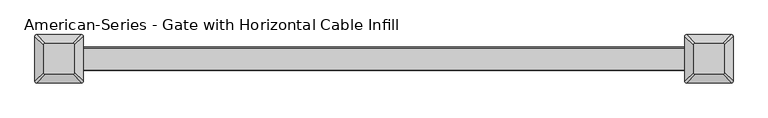
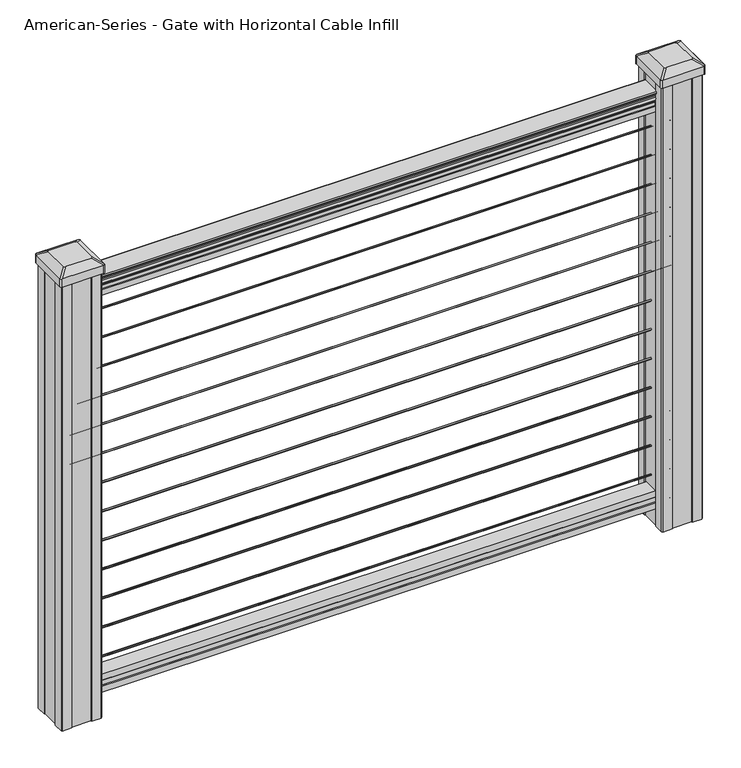
"""IFC4 building model written with IfcOpenShell, lengths in millimetres: proxy geometry, American-Series - Gate with Horizontal Cable Infill."""

import ifcopenshell
import ifcopenshell.guid

model = None  # the IFC model being written
_history = None  # IfcOwnerHistory: only IFC2X3 demands one
_inside = {}  # id of a spatial element -> (the spatial element, [elements in it])
_under = {}  # id of a project, library or spatial element -> (it, [spatial elements below it])
_declared = {}  # id of a project -> (the project, [libraries it declares])
_typed = {}  # id of a type object -> (the type object, [elements of that type])
_made_of = {}  # id of a material, layer set ... -> (it, [elements and type objects made of it])


def new_model(schema):
    """Start an empty IFC model of exactly this schema.

    Asked for "IFC4X3", IfcOpenShell would pick the latest addendum, in which some entities
    have other attributes; the version numbers below select the first issue.
    IFC2X3 requires an IfcOwnerHistory on every rooted entity: one is made here for all.
    """
    global model, _history
    if schema == "IFC4X3":
        model = ifcopenshell.file(schema_version=(4, 3, 0, 0))
    else:
        model = ifcopenshell.file(schema=schema)
    _inside.clear()
    _under.clear()
    _declared.clear()
    _typed.clear()
    _made_of.clear()
    _history = None
    if model.schema == "IFC2X3":
        org = make("IfcOrganization", Name="unknown")
        user = make(
            "IfcPersonAndOrganization",
            ThePerson=make("IfcPerson", FamilyName="unknown"),
            TheOrganization=org,
        )
        app = make(
            "IfcApplication",
            ApplicationDeveloper=org,
            Version="unknown",
            ApplicationFullName="unknown",
            ApplicationIdentifier="unknown",
        )
        _history = make(
            "IfcOwnerHistory",
            OwningUser=user,
            OwningApplication=app,
            ChangeAction="ADDED",
            CreationDate=0,
        )
    return model


def make(cls, **values):
    """One entity of the class cls with the attributes given. An attribute that is None is left unset."""
    return model.create_entity(
        cls, **{name: value for name, value in values.items() if value is not None}
    )


def rooted(cls, **values):
    """An entity with a GlobalId (a new one), such as an element, a storey or a relation."""
    return make(cls, GlobalId=ifcopenshell.guid.new(), OwnerHistory=_history, **values)


def si_unit(unit_type, name, prefix=None):
    """IfcSIUnit, for example si_unit("LENGTHUNIT", "METRE", prefix="MILLI")."""
    return make("IfcSIUnit", UnitType=unit_type, Prefix=prefix, Name=name)


def assignment(units):
    """IfcUnitAssignment: the units of a project."""
    return None if units is None else make("IfcUnitAssignment", Units=units)


def point(xyz):
    """IfcCartesianPoint."""
    return None if xyz is None else make("IfcCartesianPoint", Coordinates=xyz)


def direction(xyz):
    """IfcDirection."""
    return None if xyz is None else make("IfcDirection", DirectionRatios=xyz)


def frame(location, z_axis=None, x_axis=None):
    """IfcAxis2Placement3D, a coordinate frame: its origin and axes. An axis left out is left unset."""
    return make(
        "IfcAxis2Placement3D",
        Location=point(location),
        Axis=direction(z_axis),
        RefDirection=direction(x_axis),
    )


def frame_2d(location, x_axis=None):
    """IfcAxis2Placement2D, a coordinate frame in the plane: its origin and x axis."""
    return make(
        "IfcAxis2Placement2D", Location=point(location), RefDirection=direction(x_axis)
    )


def origin():
    """The frame at (0, 0, 0) with its axes left unset."""
    return frame((0.0, 0.0, 0.0))


def place(relative_to, where):
    """IfcLocalPlacement: puts the frame where relative to a parent placement (None: the world)."""
    return make(
        "IfcLocalPlacement", PlacementRelTo=relative_to, RelativePlacement=where
    )


def context(
    kind, dimensions, precision=None, world=None, true_north=None, identifier=None
):
    """IfcGeometricRepresentationContext, for example the 3D "Model" context."""
    return make(
        "IfcGeometricRepresentationContext",
        ContextIdentifier=identifier,
        ContextType=kind,
        CoordinateSpaceDimension=dimensions,
        Precision=precision,
        WorldCoordinateSystem=world,
        TrueNorth=true_north,
    )


def project(units=None, contexts=None):
    """IfcProject with its units and contexts."""
    return rooted(
        "IfcProject",
        Name="project",
        RepresentationContexts=contexts,
        UnitsInContext=assignment(units),
    )


def spatial(cls, under=None, at=None, **own):
    """A site, building, storey or space (cls), placed at a placement, below another one or the project."""
    s = rooted(cls, ObjectPlacement=at, **own)
    if under is not None:
        _under.setdefault(under.id(), (under, []))[1].append(s)
    return s


def polyline(points):
    """IfcPolyline through the points."""
    return make("IfcPolyline", Points=[point(p) for p in points])


def circle_curve(where, radius):
    """IfcCircle in the frame where."""
    return make("IfcCircle", Position=where, Radius=radius)


def trimmed(basis, trim1, trim2, sense, master):
    """IfcTrimmedCurve: the piece of a basis curve between two trims."""
    return make(
        "IfcTrimmedCurve",
        BasisCurve=basis,
        Trim1=trim1,
        Trim2=trim2,
        SenseAgreement=sense,
        MasterRepresentation=master,
    )


def segment(curve, same_sense, transition):
    """IfcCompositeCurveSegment."""
    return make(
        "IfcCompositeCurveSegment",
        Transition=transition,
        SameSense=same_sense,
        ParentCurve=curve,
    )


def composite_curve(segments, self_intersect=None):
    """IfcCompositeCurve: segments joined end to end."""
    return make("IfcCompositeCurve", Segments=segments, SelfIntersect=self_intersect)


def outline(outer, holes=None, kind="AREA"):
    """IfcArbitraryClosedProfileDef: a profile drawn as a closed curve; with holes, ...WithVoids."""
    if holes is None:
        return make("IfcArbitraryClosedProfileDef", ProfileType=kind, OuterCurve=outer)
    return make(
        "IfcArbitraryProfileDefWithVoids",
        ProfileType=kind,
        OuterCurve=outer,
        InnerCurves=holes,
    )


def extrude(swept, where, along, depth):
    """IfcExtrudedAreaSolid: the profile swept, set in the frame where, extruded along a direction by depth."""
    return make(
        "IfcExtrudedAreaSolid",
        SweptArea=swept,
        Position=where,
        ExtrudedDirection=direction(along),
        Depth=depth,
    )


def shape(context_of_items, identifier, shape_type, items):
    """IfcShapeRepresentation: the items that make up one representation, for example the "Body"."""
    return make(
        "IfcShapeRepresentation",
        ContextOfItems=context_of_items,
        RepresentationIdentifier=identifier,
        RepresentationType=shape_type,
        Items=items,
    )


def source(mapping_origin, context_of_items, identifier, shape_type, items):
    """IfcRepresentationMap: a shape defined once, which mapped items show again and again."""
    return make(
        "IfcRepresentationMap",
        MappingOrigin=mapping_origin,
        MappedRepresentation=shape(context_of_items, identifier, shape_type, items),
    )


def transform(
    local_origin,
    x_axis=None,
    y_axis=None,
    z_axis=None,
    scale=None,
    scale2=None,
    scale3=None,
    uniform=True,
):
    """IfcCartesianTransformationOperator3D, or its non-uniform kind. x_axis, y_axis, z_axis: its Axis1, 2, 3."""
    if uniform:
        return make(
            "IfcCartesianTransformationOperator3D",
            Axis1=direction(x_axis),
            Axis2=direction(y_axis),
            LocalOrigin=point(local_origin),
            Scale=scale,
            Axis3=direction(z_axis),
        )
    return make(
        "IfcCartesianTransformationOperator3DnonUniform",
        Axis1=direction(x_axis),
        Axis2=direction(y_axis),
        LocalOrigin=point(local_origin),
        Scale=scale,
        Axis3=direction(z_axis),
        Scale2=scale2,
        Scale3=scale3,
    )


def mapped(mapping_source, mapping_target):
    """IfcMappedItem: shows the shape of a source again, moved by a transform."""
    return make(
        "IfcMappedItem", MappingSource=mapping_source, MappingTarget=mapping_target
    )


def made_of(thing, what):
    """Note that an element or type object is made of a material, layer set ...; save() writes the relation."""
    if what is not None:
        _made_of.setdefault(what.id(), (what, []))[1].append(thing)
    return thing


def element(
    cls,
    number,
    at=None,
    inside=None,
    cuts=None,
    type_object=None,
    material=None,
    context=None,
    identifier="Body",
    shape_type=None,
    held_by="IfcProductDefinitionShape",
    body=None,
    shapes=None,
    **own,
):
    """One element of the class cls, such as IfcWall. Its Tag is "e" and its number.

    at: its placement. inside: the storey or other place that contains it. cuts: it is an
    opening in that element (IfcRelVoidsElement). A single representation is given by context,
    identifier, shape_type and body (its items); several are given by shapes. held_by: the class
    of the entity that holds the representations. save() writes the other relations.
    """
    e = rooted(cls, Tag="e%d" % number, ObjectPlacement=at, **own)
    if body is not None:
        shapes = [shape(context, identifier, shape_type, body)]
    if shapes is not None:
        e.Representation = make(held_by, Representations=shapes)
    if inside is not None:
        _inside.setdefault(inside.id(), (inside, []))[1].append(e)
    if cuts is not None:
        rooted(
            "IfcRelVoidsElement", RelatingBuildingElement=cuts, RelatedOpeningElement=e
        )
    if type_object is not None:
        _typed.setdefault(type_object.id(), (type_object, []))[1].append(e)
    return made_of(e, material)


def aggregate(whole, parts):
    """IfcRelAggregates: a whole, such as a stair, and the parts it consists of."""
    return rooted("IfcRelAggregates", RelatingObject=whole, RelatedObjects=parts)


def save(model, path):
    """Write the relations noted so far, then the file.

    IfcRelAggregates (storeys below a building ...), IfcRelContainedInSpatialStructure (elements
    in a storey), IfcRelDefinesByType, IfcRelAssociatesMaterial and IfcRelDeclares: one each for
    every whole, place, type object, material and project.
    """
    for whole, parts in _under.values():
        aggregate(whole, parts)
    for where, things in _inside.values():
        rooted(
            "IfcRelContainedInSpatialStructure",
            RelatedElements=things,
            RelatingStructure=where,
        )
    for kind, things in _typed.values():
        rooted("IfcRelDefinesByType", RelatedObjects=things, RelatingType=kind)
    for what, things in _made_of.values():
        rooted("IfcRelAssociatesMaterial", RelatedObjects=things, RelatingMaterial=what)
    for by, libraries in _declared.values():
        rooted("IfcRelDeclares", RelatingContext=by, RelatedDefinitions=libraries)
    model.write(path)


def plane_surface(at):
    """IfcPlane: the flat surface through the origin of the frame at, square to its z axis."""
    return make("IfcPlane", Position=at)


def extruded_surface(curve, direction_of_extrusion, depth):
    """IfcSurfaceOfLinearExtrusion: the curve pushed along a direction by depth."""
    return make(
        "IfcSurfaceOfLinearExtrusion",
        SweptCurve=make("IfcArbitraryOpenProfileDef", ProfileType="CURVE", Curve=curve),
        ExtrudedDirection=direction(direction_of_extrusion),
        Depth=depth,
    )


def advanced_brep(points, edges, surfaces, faces):
    """IfcAdvancedBrep: a solid bounded by faces that lie on surfaces and meet in shared edges.

    An edge is (start, end): straight between two places in points (the first is 0);
    or (start, end, curve); or (start, end, curve, False) where it runs against its curve.
    A face is (place in surfaces, loops), or (place, loops, False) where it looks against
    its surface's normal. A loop lists edges by number (the first is 1), with a minus sign
    where the edge is run from its end to its start. The first loop is the outer one.
    """
    corners = [point(p) for p in points]
    vertices = [make("IfcVertexPoint", VertexGeometry=c) for c in corners]
    made = []
    for start, end, *more in edges:
        made.append(
            make(
                "IfcEdgeCurve",
                EdgeStart=vertices[start],
                EdgeEnd=vertices[end],
                EdgeGeometry=more[0] if more else make("IfcPolyline", Points=[corners[start], corners[end]]),
                SameSense=more[1] if len(more) > 1 else True,
            )
        )
    hull = []
    for where, loops, *sense in faces:
        bounds = []
        for j, loop in enumerate(loops):
            ring = [make("IfcOrientedEdge", EdgeElement=made[abs(k) - 1], Orientation=k > 0) for k in loop]
            bounds.append(
                make(
                    "IfcFaceOuterBound" if j == 0 else "IfcFaceBound",
                    Bound=make("IfcEdgeLoop", EdgeList=ring),
                    Orientation=True,
                )
            )
        hull.append(make("IfcAdvancedFace", Bounds=bounds, FaceSurface=surfaces[where], SameSense=sense[0] if sense else True))
    return make("IfcAdvancedBrep", Outer=make("IfcClosedShell", CfsFaces=hull))


def american_series_gate_with_horizontal_cable_infill_cfd53bdf(model_context):
    return source(origin(), model_context, "Body", "SolidModel", [
        extrude(outline(composite_curve([segment(trimmed(circle_curve(frame_2d((0.0, 812.4336538)), 1.5875), [point((1.5875, 812.4336538))], [point((0.0, 810.8461538))], False, "CARTESIAN"), True, "CONTINUOUS"), segment(trimmed(circle_curve(frame_2d((0.0, 812.4336538)), 1.5875), [point((0.0, 810.8461538))], [point((-1.5875, 812.4336538))], False, "CARTESIAN"), True, "CONTINUOUS"), segment(trimmed(circle_curve(frame_2d((0.0, 812.4336538)), 1.5875), [point((-1.5875, 812.4336538))], [point((0.0, 814.0211538))], False, "CARTESIAN"), True, "CONTINUOUS"), segment(trimmed(circle_curve(frame_2d((0.0, 812.4336538)), 1.5875), [point((0.0, 814.0211538))], [point((1.5875, 812.4336538))], False, "CARTESIAN"), True, "CONTINUOUS")], self_intersect=False)), frame((-609.6, 0.0, 0.0), z_axis=(1.0, 0.0, 0.0), x_axis=(0.0, 1.0, 0.0)), (0.0, 0.0, 1.0), 1219.2),
        extrude(outline(composite_curve([segment(trimmed(circle_curve(frame_2d((0.0, 750.1548077)), 1.5875), [point((1.5875, 750.1548077))], [point((0.0, 748.5673077))], False, "CARTESIAN"), True, "CONTINUOUS"), segment(trimmed(circle_curve(frame_2d((0.0, 750.1548077)), 1.5875), [point((0.0, 748.5673077))], [point((-1.5875, 750.1548077))], False, "CARTESIAN"), True, "CONTINUOUS"), segment(trimmed(circle_curve(frame_2d((0.0, 750.1548077)), 1.5875), [point((-1.5875, 750.1548077))], [point((0.0, 751.7423077))], False, "CARTESIAN"), True, "CONTINUOUS"), segment(trimmed(circle_curve(frame_2d((0.0, 750.1548077)), 1.5875), [point((0.0, 751.7423077))], [point((1.5875, 750.1548077))], False, "CARTESIAN"), True, "CONTINUOUS")], self_intersect=False)), frame((-609.6, 0.0, 0.0), z_axis=(1.0, 0.0, 0.0), x_axis=(0.0, 1.0, 0.0)), (0.0, 0.0, 1.0), 1219.2),
        extrude(outline(composite_curve([segment(trimmed(circle_curve(frame_2d((0.0, 687.8759615)), 1.5875), [point((1.5875, 687.8759615))], [point((0.0, 686.2884615))], False, "CARTESIAN"), True, "CONTINUOUS"), segment(trimmed(circle_curve(frame_2d((0.0, 687.8759615)), 1.5875), [point((0.0, 686.2884615))], [point((-1.5875, 687.8759615))], False, "CARTESIAN"), True, "CONTINUOUS"), segment(trimmed(circle_curve(frame_2d((0.0, 687.8759615)), 1.5875), [point((-1.5875, 687.8759615))], [point((0.0, 689.4634615))], False, "CARTESIAN"), True, "CONTINUOUS"), segment(trimmed(circle_curve(frame_2d((0.0, 687.8759615)), 1.5875), [point((0.0, 689.4634615))], [point((1.5875, 687.8759615))], False, "CARTESIAN"), True, "CONTINUOUS")], self_intersect=False)), frame((-609.6, 0.0, 0.0), z_axis=(1.0, 0.0, 0.0), x_axis=(0.0, 1.0, 0.0)), (0.0, 0.0, 1.0), 1219.2),
        extrude(outline(composite_curve([segment(trimmed(circle_curve(frame_2d((0.0, 625.5971154)), 1.5875), [point((1.5875, 625.5971154))], [point((0.0, 624.0096154))], False, "CARTESIAN"), True, "CONTINUOUS"), segment(trimmed(circle_curve(frame_2d((0.0, 625.5971154)), 1.5875), [point((0.0, 624.0096154))], [point((-1.5875, 625.5971154))], False, "CARTESIAN"), True, "CONTINUOUS"), segment(trimmed(circle_curve(frame_2d((0.0, 625.5971154)), 1.5875), [point((-1.5875, 625.5971154))], [point((0.0, 627.1846154))], False, "CARTESIAN"), True, "CONTINUOUS"), segment(trimmed(circle_curve(frame_2d((0.0, 625.5971154)), 1.5875), [point((0.0, 627.1846154))], [point((1.5875, 625.5971154))], False, "CARTESIAN"), True, "CONTINUOUS")], self_intersect=False)), frame((-609.6, 0.0, 0.0), z_axis=(1.0, 0.0, 0.0), x_axis=(0.0, 1.0, 0.0)), (0.0, 0.0, 1.0), 1219.2),
        extrude(outline(polyline([(-15.9124869, 76.0541976), (-14.8964869, 77.3546183), (-14.8964869, 87.7141717), (-15.9124869, 89.0624492), (-15.9124869, 101.5958781), (15.8375131, 101.5958781), (15.8375131, 89.0458024), (14.8215131, 87.6975248), (14.8215131, 77.3858283), (15.8375131, 76.0375508), (15.8375131, 63.5), (-15.9124869, 63.5), (-15.9124869, 76.0541976)])), frame((-609.6, 0.0, 0.0), z_axis=(1.0, 0.0, 0.0), x_axis=(0.0, 1.0, 0.0)), (0.0, 0.0, 1.0), 1219.2),
        extrude(outline(composite_curve([segment(trimmed(circle_curve(frame_2d((0.0, 563.3182692)), 1.5875), [point((1.5875, 563.3182692))], [point((0.0, 561.7307692))], False, "CARTESIAN"), True, "CONTINUOUS"), segment(trimmed(circle_curve(frame_2d((0.0, 563.3182692)), 1.5875), [point((0.0, 561.7307692))], [point((-1.5875, 563.3182692))], False, "CARTESIAN"), True, "CONTINUOUS"), segment(trimmed(circle_curve(frame_2d((0.0, 563.3182692)), 1.5875), [point((-1.5875, 563.3182692))], [point((0.0, 564.9057692))], False, "CARTESIAN"), True, "CONTINUOUS"), segment(trimmed(circle_curve(frame_2d((0.0, 563.3182692)), 1.5875), [point((0.0, 564.9057692))], [point((1.5875, 563.3182692))], False, "CARTESIAN"), True, "CONTINUOUS")], self_intersect=False)), frame((-609.6, 0.0, 0.0), z_axis=(1.0, 0.0, 0.0), x_axis=(0.0, 1.0, 0.0)), (0.0, 0.0, 1.0), 1219.2),
        extrude(outline(composite_curve([segment(trimmed(circle_curve(frame_2d((0.0, 501.0394231)), 1.5875), [point((1.5875, 501.0394231))], [point((0.0, 499.4519231))], False, "CARTESIAN"), True, "CONTINUOUS"), segment(trimmed(circle_curve(frame_2d((0.0, 501.0394231)), 1.5875), [point((0.0, 499.4519231))], [point((-1.5875, 501.0394231))], False, "CARTESIAN"), True, "CONTINUOUS"), segment(trimmed(circle_curve(frame_2d((0.0, 501.0394231)), 1.5875), [point((-1.5875, 501.0394231))], [point((0.0, 502.6269231))], False, "CARTESIAN"), True, "CONTINUOUS"), segment(trimmed(circle_curve(frame_2d((0.0, 501.0394231)), 1.5875), [point((0.0, 502.6269231))], [point((1.5875, 501.0394231))], False, "CARTESIAN"), True, "CONTINUOUS")], self_intersect=False)), frame((-609.6, 0.0, 0.0), z_axis=(1.0, 0.0, 0.0), x_axis=(0.0, 1.0, 0.0)), (0.0, 0.0, 1.0), 1219.2),
        extrude(outline(composite_curve([segment(trimmed(circle_curve(frame_2d((0.0, 438.7605769)), 1.5875), [point((1.5875, 438.7605769))], [point((0.0, 437.1730769))], False, "CARTESIAN"), True, "CONTINUOUS"), segment(trimmed(circle_curve(frame_2d((0.0, 438.7605769)), 1.5875), [point((0.0, 437.1730769))], [point((-1.5875, 438.7605769))], False, "CARTESIAN"), True, "CONTINUOUS"), segment(trimmed(circle_curve(frame_2d((0.0, 438.7605769)), 1.5875), [point((-1.5875, 438.7605769))], [point((0.0, 440.3480769))], False, "CARTESIAN"), True, "CONTINUOUS"), segment(trimmed(circle_curve(frame_2d((0.0, 438.7605769)), 1.5875), [point((0.0, 440.3480769))], [point((1.5875, 438.7605769))], False, "CARTESIAN"), True, "CONTINUOUS")], self_intersect=False)), frame((-609.6, 0.0, 0.0), z_axis=(1.0, 0.0, 0.0), x_axis=(0.0, 1.0, 0.0)), (0.0, 0.0, 1.0), 1219.2),
        extrude(outline(composite_curve([segment(trimmed(circle_curve(frame_2d((0.0, 376.4817308)), 1.5875), [point((1.5875, 376.4817308))], [point((0.0, 374.8942308))], False, "CARTESIAN"), True, "CONTINUOUS"), segment(trimmed(circle_curve(frame_2d((0.0, 376.4817308)), 1.5875), [point((0.0, 374.8942308))], [point((-1.5875, 376.4817308))], False, "CARTESIAN"), True, "CONTINUOUS"), segment(trimmed(circle_curve(frame_2d((0.0, 376.4817308)), 1.5875), [point((-1.5875, 376.4817308))], [point((0.0, 378.0692308))], False, "CARTESIAN"), True, "CONTINUOUS"), segment(trimmed(circle_curve(frame_2d((0.0, 376.4817308)), 1.5875), [point((0.0, 378.0692308))], [point((1.5875, 376.4817308))], False, "CARTESIAN"), True, "CONTINUOUS")], self_intersect=False)), frame((-609.6, 0.0, 0.0), z_axis=(1.0, 0.0, 0.0), x_axis=(0.0, 1.0, 0.0)), (0.0, 0.0, 1.0), 1219.2),
        extrude(outline(composite_curve([segment(trimmed(circle_curve(frame_2d((0.0, 314.2028846)), 1.5875), [point((1.5875, 314.2028846))], [point((0.0, 312.6153846))], False, "CARTESIAN"), True, "CONTINUOUS"), segment(trimmed(circle_curve(frame_2d((0.0, 314.2028846)), 1.5875), [point((0.0, 312.6153846))], [point((-1.5875, 314.2028846))], False, "CARTESIAN"), True, "CONTINUOUS"), segment(trimmed(circle_curve(frame_2d((0.0, 314.2028846)), 1.5875), [point((-1.5875, 314.2028846))], [point((0.0, 315.7903846))], False, "CARTESIAN"), True, "CONTINUOUS"), segment(trimmed(circle_curve(frame_2d((0.0, 314.2028846)), 1.5875), [point((0.0, 315.7903846))], [point((1.5875, 314.2028846))], False, "CARTESIAN"), True, "CONTINUOUS")], self_intersect=False)), frame((-609.6, 0.0, 0.0), z_axis=(1.0, 0.0, 0.0), x_axis=(0.0, 1.0, 0.0)), (0.0, 0.0, 1.0), 1219.2),
        extrude(outline(composite_curve([segment(trimmed(circle_curve(frame_2d((0.0, 251.9240385)), 1.5875), [point((1.5875, 251.9240385))], [point((0.0, 250.3365385))], False, "CARTESIAN"), True, "CONTINUOUS"), segment(trimmed(circle_curve(frame_2d((0.0, 251.9240385)), 1.5875), [point((0.0, 250.3365385))], [point((-1.5875, 251.9240385))], False, "CARTESIAN"), True, "CONTINUOUS"), segment(trimmed(circle_curve(frame_2d((0.0, 251.9240385)), 1.5875), [point((-1.5875, 251.9240385))], [point((0.0, 253.5115385))], False, "CARTESIAN"), True, "CONTINUOUS"), segment(trimmed(circle_curve(frame_2d((0.0, 251.9240385)), 1.5875), [point((0.0, 253.5115385))], [point((1.5875, 251.9240385))], False, "CARTESIAN"), True, "CONTINUOUS")], self_intersect=False)), frame((-609.6, 0.0, 0.0), z_axis=(1.0, 0.0, 0.0), x_axis=(0.0, 1.0, 0.0)), (0.0, 0.0, 1.0), 1219.2),
        extrude(outline(composite_curve([segment(trimmed(circle_curve(frame_2d((0.0, 189.6451923)), 1.5875), [point((1.5875, 189.6451923))], [point((0.0, 188.0576923))], False, "CARTESIAN"), True, "CONTINUOUS"), segment(trimmed(circle_curve(frame_2d((0.0, 189.6451923)), 1.5875), [point((0.0, 188.0576923))], [point((-1.5875, 189.6451923))], False, "CARTESIAN"), True, "CONTINUOUS"), segment(trimmed(circle_curve(frame_2d((0.0, 189.6451923)), 1.5875), [point((-1.5875, 189.6451923))], [point((0.0, 191.2326923))], False, "CARTESIAN"), True, "CONTINUOUS"), segment(trimmed(circle_curve(frame_2d((0.0, 189.6451923)), 1.5875), [point((0.0, 191.2326923))], [point((1.5875, 189.6451923))], False, "CARTESIAN"), True, "CONTINUOUS")], self_intersect=False)), frame((-609.6, 0.0, 0.0), z_axis=(1.0, 0.0, 0.0), x_axis=(0.0, 1.0, 0.0)), (0.0, 0.0, 1.0), 1219.2),
        extrude(outline(composite_curve([segment(trimmed(circle_curve(frame_2d((0.0, 127.3663462)), 1.5875), [point((1.5875, 127.3663462))], [point((0.0, 125.7788462))], False, "CARTESIAN"), True, "CONTINUOUS"), segment(trimmed(circle_curve(frame_2d((0.0, 127.3663462)), 1.5875), [point((0.0, 125.7788462))], [point((-1.5875, 127.3663462))], False, "CARTESIAN"), True, "CONTINUOUS"), segment(trimmed(circle_curve(frame_2d((0.0, 127.3663462)), 1.5875), [point((-1.5875, 127.3663462))], [point((0.0, 128.9538462))], False, "CARTESIAN"), True, "CONTINUOUS"), segment(trimmed(circle_curve(frame_2d((0.0, 127.3663462)), 1.5875), [point((0.0, 128.9538462))], [point((1.5875, 127.3663462))], False, "CARTESIAN"), True, "CONTINUOUS")], self_intersect=False)), frame((-609.6, 0.0, 0.0), z_axis=(1.0, 0.0, 0.0), x_axis=(0.0, 1.0, 0.0)), (0.0, 0.0, 1.0), 1219.2),
        extrude(outline(composite_curve([segment(trimmed(circle_curve(frame_2d((0.0, 874.7125)), 1.5875), [point((1.5875, 874.7125))], [point((0.0, 873.125))], False, "CARTESIAN"), True, "CONTINUOUS"), segment(trimmed(circle_curve(frame_2d((0.0, 874.7125)), 1.5875), [point((0.0, 873.125))], [point((-1.5875, 874.7125))], False, "CARTESIAN"), True, "CONTINUOUS"), segment(trimmed(circle_curve(frame_2d((0.0, 874.7125)), 1.5875), [point((-1.5875, 874.7125))], [point((0.0, 876.3))], False, "CARTESIAN"), True, "CONTINUOUS"), segment(trimmed(circle_curve(frame_2d((0.0, 874.7125)), 1.5875), [point((0.0, 876.3))], [point((1.5875, 874.7125))], False, "CARTESIAN"), True, "CONTINUOUS")], self_intersect=False)), frame((-609.6, 0.0, 0.0), z_axis=(1.0, 0.0, 0.0), x_axis=(0.0, 1.0, 0.0)), (0.0, 0.0, 1.0), 1219.2),
        extrude(outline(composite_curve([segment(trimmed(circle_curve(frame_2d((0.0, 65.0875)), 1.5875), [point((1.5875, 65.0875))], [point((0.0, 63.5))], False, "CARTESIAN"), True, "CONTINUOUS"), segment(trimmed(circle_curve(frame_2d((0.0, 65.0875)), 1.5875), [point((0.0, 63.5))], [point((-1.5875, 65.0875))], False, "CARTESIAN"), True, "CONTINUOUS"), segment(trimmed(circle_curve(frame_2d((0.0, 65.0875)), 1.5875), [point((-1.5875, 65.0875))], [point((0.0, 66.675))], False, "CARTESIAN"), True, "CONTINUOUS"), segment(trimmed(circle_curve(frame_2d((0.0, 65.0875)), 1.5875), [point((0.0, 66.675))], [point((1.5875, 65.0875))], False, "CARTESIAN"), True, "CONTINUOUS")], self_intersect=False)), frame((-609.6, 0.0, 0.0), z_axis=(1.0, 0.0, 0.0), x_axis=(0.0, 1.0, 0.0)), (0.0, 0.0, 1.0), 1219.2),
        extrude(outline(composite_curve([segment(polyline([(938.4043297, 17.4328287), (940.292412, 17.4328287)]), True, "CONTINUOUS"), segment(trimmed(circle_curve(frame_2d((946.0506383, 11.1180755)), 8.545951), [point((940.292412, 17.4328287))], [point((941.8546695, 18.563015))], False, "CARTESIAN"), True, "CONTINUOUS"), segment(trimmed(circle_curve(frame_2d((945.4636577, 11.5551384)), 7.882584), [point((941.8546695, 18.563015))], [point((949.0726458, 18.563015))], False, "CARTESIAN"), True, "CONTINUOUS"), segment(trimmed(circle_curve(frame_2d((951.3112527, 22.0684625)), 4.1592695), [point((949.0726458, 18.563015))], [point((951.5060812, 17.9137586))], True, "CARTESIAN"), True, "CONTINUOUS"), segment(trimmed(circle_curve(frame_2d((951.2508864, 23.3557691)), 5.4479907), [point((951.5060812, 17.9137586))], [point((955.8362083, 20.4137586))], True, "CARTESIAN"), True, "CONTINUOUS"), segment(trimmed(circle_curve(frame_2d((955.833395, 22.1226107)), 1.7088543), [point((955.8362083, 20.4137586))], [point((957.5157972, 21.8231011))], True, "CARTESIAN"), True, "CONTINUOUS"), segment(trimmed(circle_curve(frame_2d((958.6205318, 20.5057106)), 1.7192895), [point((957.5157972, 21.8231011))], [point((958.6205318, 22.2250001))], False, "CARTESIAN"), True, "CONTINUOUS"), segment(polyline([(958.6205318, 22.2250001), (959.9608158, 22.225)]), True, "CONTINUOUS"), segment(trimmed(circle_curve(frame_2d((959.9608158, 20.6715528)), 1.5534472), [point((959.9608158, 22.225))], [point((961.514263, 20.6715528))], False, "CARTESIAN"), True, "CONTINUOUS"), segment(polyline([(961.514263, 20.6715528), (961.514263, -20.6715528)]), True, "CONTINUOUS"), segment(trimmed(circle_curve(frame_2d((959.9608158, -20.6715528)), 1.5534472), [point((961.514263, -20.6715528))], [point((959.9608158, -22.225))], False, "CARTESIAN"), True, "CONTINUOUS"), segment(polyline([(959.9608158, -22.225), (958.6205318, -22.225)]), True, "CONTINUOUS"), segment(trimmed(circle_curve(frame_2d((958.6205318, -20.5057106)), 1.7192895), [point((958.6205318, -22.225))], [point((957.5157972, -21.8231011))], False, "CARTESIAN"), True, "CONTINUOUS"), segment(trimmed(circle_curve(frame_2d((955.833395, -22.1226107)), 1.7088543), [point((957.5157972, -21.8231011))], [point((955.8362083, -20.4137586))], True, "CARTESIAN"), True, "CONTINUOUS"), segment(trimmed(circle_curve(frame_2d((951.2508864, -23.3557691)), 5.4479907), [point((955.8362083, -20.4137586))], [point((951.5060812, -17.9137586))], True, "CARTESIAN"), True, "CONTINUOUS"), segment(trimmed(circle_curve(frame_2d((951.3112527, -22.0684625)), 4.1592695), [point((951.5060812, -17.9137586))], [point((949.0726458, -18.563015))], True, "CARTESIAN"), True, "CONTINUOUS"), segment(trimmed(circle_curve(frame_2d((945.4636577, -11.5551384)), 7.882584), [point((949.0726458, -18.563015))], [point((941.8546695, -18.563015))], False, "CARTESIAN"), True, "CONTINUOUS"), segment(trimmed(circle_curve(frame_2d((946.0506383, -11.1180755)), 8.545951), [point((941.8546695, -18.563015))], [point((940.292412, -17.4328287))], False, "CARTESIAN"), True, "CONTINUOUS"), segment(polyline([(940.292412, -17.4328287), (938.4043297, -17.4328287)]), True, "CONTINUOUS"), segment(trimmed(circle_curve(frame_2d((938.4043297, -16.1459144)), 1.2869144), [point((938.4043297, -17.4328287))], [point((938.4043297, -14.859))], False, "CARTESIAN"), True, "CONTINUOUS"), segment(polyline([(938.4043297, -14.859), (927.9048283, -14.859), (926.8888283, -15.875), (914.4, -15.875), (914.4, 15.875), (926.731013, 15.875), (927.747013, 14.859), (938.4043297, 14.859)]), True, "CONTINUOUS"), segment(trimmed(circle_curve(frame_2d((938.4043297, 16.1459144)), 1.2869144), [point((938.4043297, 14.859))], [point((938.4043297, 17.4328287))], False, "CARTESIAN"), True, "CONTINUOUS")], self_intersect=False)), frame((609.6, 0.0, 0.0), z_axis=(-1.0, 0.0, 0.0), x_axis=(0.0, 0.0, 1.0)), (0.0, 0.0, 1.0), 1219.2),
        advanced_brep(
        [(583.803125, 28.971875, 1012.825), (580.628125, 25.796875, 1012.825), (580.628125, -25.796875, 1012.825), (583.803125, -28.971875, 1012.825), (635.396875, -28.971875, 1012.825), (638.571875, -25.796875, 1012.825), (638.571875, 25.796875, 1012.825), (635.396875, 28.971875, 1012.825), (567.53125, 45.24375, 1001.522), (651.66875, 45.24375, 1001.522), (654.84375, 42.06875, 1001.522), (654.84375, -42.06875, 1001.522), (651.66875, -45.24375, 1001.522), (567.53125, -45.24375, 1001.522), (564.35625, -42.06875, 1001.522), (564.35625, 42.06875, 1001.522)],
        [
            (0, 1, circle_curve(frame((583.803125, 25.796875, 1012.825), z_axis=(0.0, 0.0, 1.0), x_axis=(0.0, -1.0, 0.0)), 3.175)),
            (1, 2),
            (2, 3, circle_curve(frame((583.803125, -25.796875, 1012.825), z_axis=(0.0, 0.0, 1.0), x_axis=(0.0, -1.0, 0.0)), 3.175)),
            (3, 4),
            (4, 5, circle_curve(frame((635.396875, -25.796875, 1012.825), z_axis=(0.0, 0.0, 1.0), x_axis=(0.0, -1.0, 0.0)), 3.175)),
            (5, 6),
            (6, 7, circle_curve(frame((635.396875, 25.796875, 1012.825), z_axis=(0.0, 0.0, 1.0), x_axis=(0.0, -1.0, 0.0)), 3.175)),
            (7, 0),
            (8, 9),
            (9, 10, circle_curve(frame((651.66875, 42.06875, 1001.522), z_axis=(0.0, 0.0, -1.0), x_axis=(0.0, -1.0, 0.0)), 3.175)),
            (10, 11),
            (11, 12, circle_curve(frame((651.66875, -42.06875, 1001.522), z_axis=(0.0, 0.0, -1.0), x_axis=(0.0, -1.0, 0.0)), 3.175)),
            (12, 13),
            (13, 14, circle_curve(frame((567.53125, -42.06875, 1001.522), z_axis=(0.0, 0.0, -1.0), x_axis=(0.0, -1.0, 0.0)), 3.175)),
            (14, 15),
            (15, 8, circle_curve(frame((567.53125, 42.06875, 1001.522), z_axis=(0.0, 0.0, -1.0), x_axis=(0.0, -1.0, 0.0)), 3.175)),
            (15, 1),
            (0, 8),
            (14, 2),
            (13, 3),
            (12, 4),
            (11, 5),
            (10, 6),
            (9, 7),
        ],
        [
            plane_surface(frame((609.6, 0.0, 1012.825), z_axis=(0.0, 0.0, 1.0), x_axis=(-1.0, 0.0, 0.0))),
            plane_surface(frame((609.6, 0.0, 1001.522), z_axis=(0.0, 0.0, -1.0), x_axis=(-1.0, 0.0, 0.0))),
            extruded_surface(trimmed(circle_curve(frame((567.53125, 42.06875, 1001.522), z_axis=(0.0, 0.0, 1.0), x_axis=(0.0, -1.0, 0.0)), 3.175), [point((567.53125, 45.24375, 1001.522))], [point((564.35625, 42.06875, 1001.522))], True, "CARTESIAN"), (16.271875000000023, -16.271875, 11.302999999999997), 25.637972638866177),
            plane_surface(frame((564.35625, 0.0, 1001.522), z_axis=(-0.5705009161540779, 0.0, 0.8212969649690408), x_axis=(0.0, -1.0, 0.0))),
            extruded_surface(trimmed(circle_curve(frame((567.53125, -42.06875, 1001.522), z_axis=(0.0, 0.0, 1.0), x_axis=(0.0, -1.0, 0.0)), 3.175), [point((564.35625, -42.06875, 1001.522))], [point((567.53125, -45.24375, 1001.522))], True, "CARTESIAN"), (16.271875000000023, 16.271875, 11.302999999999997), 25.637972638866177),
            plane_surface(frame((609.6, -45.24375, 1001.522), z_axis=(0.0, -0.5705009161540291, 0.8212969649690747), x_axis=(1.0, 0.0, 0.0))),
            extruded_surface(trimmed(circle_curve(frame((651.66875, -42.06875, 1001.522), z_axis=(0.0, 0.0, 1.0), x_axis=(0.0, -1.0, 0.0)), 3.175), [point((651.66875, -45.24375, 1001.522))], [point((654.84375, -42.06875, 1001.522))], True, "CARTESIAN"), (-16.271875000000023, 16.271875, 11.302999999999997), 25.637972638866177),
            plane_surface(frame((654.84375, 0.0, 1001.522), z_axis=(0.5705009161540141, 0.0, 0.8212969649690851), x_axis=(0.0, 1.0, 0.0))),
            extruded_surface(trimmed(circle_curve(frame((651.66875, 42.06875, 1001.522), z_axis=(0.0, 0.0, 1.0), x_axis=(0.0, -1.0, 0.0)), 3.175), [point((654.84375, 42.06875, 1001.522))], [point((651.66875, 45.24375, 1001.522))], True, "CARTESIAN"), (-16.271875000000023, -16.271875, 11.302999999999997), 25.637972638866177),
            plane_surface(frame((609.6, 45.24375, 1001.522), z_axis=(0.0, 0.570500916154034, 0.8212969649690713), x_axis=(-1.0, 0.0, 0.0))),
        ],
        [
            (0, [[1, 2, 3, 4, 5, 6, 7, 8]]),
            (1, [[9, 10, 11, 12, 13, 14, 15, 16]]),
            (2, [[-16, 17, -1, 18]]),
            (3, [[-15, 19, -2, -17]]),
            (4, [[-14, 20, -3, -19]]),
            (5, [[-13, 21, -4, -20]]),
            (6, [[-12, 22, -5, -21]]),
            (7, [[-11, 23, -6, -22]]),
            (8, [[-10, 24, -7, -23]]),
            (9, [[-9, -18, -8, -24]]),
        ],
    ),
        extrude(outline(composite_curve([segment(polyline([(567.53125, 45.24375), (651.66875, 45.24375)]), True, "CONTINUOUS"), segment(trimmed(circle_curve(frame_2d((651.66875, 42.06875)), 3.175), [point((651.66875, 45.24375))], [point((654.84375, 42.06875))], False, "CARTESIAN"), True, "CONTINUOUS"), segment(polyline([(654.84375, 42.06875), (654.84375, -42.06875)]), True, "CONTINUOUS"), segment(trimmed(circle_curve(frame_2d((651.66875, -42.06875)), 3.175), [point((654.84375, -42.06875))], [point((651.66875, -45.24375))], False, "CARTESIAN"), True, "CONTINUOUS"), segment(polyline([(651.66875, -45.24375), (567.53125, -45.24375)]), True, "CONTINUOUS"), segment(trimmed(circle_curve(frame_2d((567.53125, -42.06875)), 3.175), [point((567.53125, -45.24375))], [point((564.35625, -42.06875))], False, "CARTESIAN"), True, "CONTINUOUS"), segment(polyline([(564.35625, -42.06875), (564.35625, 42.06875)]), True, "CONTINUOUS"), segment(trimmed(circle_curve(frame_2d((567.53125, 42.06875)), 3.175), [point((564.35625, 42.06875))], [point((567.53125, 45.24375))], False, "CARTESIAN"), True, "CONTINUOUS")], self_intersect=False)), frame((0.0, 0.0, 984.25), z_axis=(0.0, 0.0, 1.0), x_axis=(1.0, 0.0, 0.0)), (0.0, 0.0, 1.0), 17.272),
        extrude(outline(polyline([(569.9125, 41.275), (589.534, 41.275), (590.296, 39.6875), (628.904, 39.6875), (629.666, 41.275), (649.2875, 41.275), (650.875, 39.6875), (650.875, 20.066), (649.2875, 19.304), (649.2875, -19.304), (650.875, -20.066), (650.875, -39.6875), (649.2875, -41.275), (629.666, -41.275), (628.904, -39.6875), (590.296, -39.6875), (589.534, -41.275), (569.9125, -41.275), (568.325, -39.6875), (568.325, -20.066), (569.9125, -19.304), (569.9125, 19.304), (568.325, 20.066), (568.325, 39.6875), (569.9125, 41.275)])), frame((0.0, 0.0, 28.575), z_axis=(0.0, 0.0, 1.0), x_axis=(1.0, 0.0, 0.0)), (0.0, 0.0, 1.0), 955.675),
        advanced_brep(
        [(-635.396875, 28.971875, 1012.825), (-638.571875, 25.796875, 1012.825), (-638.571875, -25.796875, 1012.825), (-635.396875, -28.971875, 1012.825), (-583.803125, -28.971875, 1012.825), (-580.628125, -25.796875, 1012.825), (-580.628125, 25.796875, 1012.825), (-583.803125, 28.971875, 1012.825), (-651.66875, 45.24375, 1001.522), (-567.53125, 45.24375, 1001.522), (-564.35625, 42.06875, 1001.522), (-564.35625, -42.06875, 1001.522), (-567.53125, -45.24375, 1001.522), (-651.66875, -45.24375, 1001.522), (-654.84375, -42.06875, 1001.522), (-654.84375, 42.06875, 1001.522)],
        [
            (0, 1, circle_curve(frame((-635.396875, 25.796875, 1012.825), z_axis=(0.0, 0.0, 1.0), x_axis=(0.0, -1.0, 0.0)), 3.175)),
            (1, 2),
            (2, 3, circle_curve(frame((-635.396875, -25.796875, 1012.825), z_axis=(0.0, 0.0, 1.0), x_axis=(0.0, -1.0, 0.0)), 3.175)),
            (3, 4),
            (4, 5, circle_curve(frame((-583.803125, -25.796875, 1012.825), z_axis=(0.0, 0.0, 1.0), x_axis=(0.0, -1.0, 0.0)), 3.175)),
            (5, 6),
            (6, 7, circle_curve(frame((-583.803125, 25.796875, 1012.825), z_axis=(0.0, 0.0, 1.0), x_axis=(0.0, -1.0, 0.0)), 3.175)),
            (7, 0),
            (8, 9),
            (9, 10, circle_curve(frame((-567.53125, 42.06875, 1001.522), z_axis=(0.0, 0.0, -1.0), x_axis=(0.0, -1.0, 0.0)), 3.175)),
            (10, 11),
            (11, 12, circle_curve(frame((-567.53125, -42.06875, 1001.522), z_axis=(0.0, 0.0, -1.0), x_axis=(0.0, -1.0, 0.0)), 3.175)),
            (12, 13),
            (13, 14, circle_curve(frame((-651.66875, -42.06875, 1001.522), z_axis=(0.0, 0.0, -1.0), x_axis=(0.0, -1.0, 0.0)), 3.175)),
            (14, 15),
            (15, 8, circle_curve(frame((-651.66875, 42.06875, 1001.522), z_axis=(0.0, 0.0, -1.0), x_axis=(0.0, -1.0, 0.0)), 3.175)),
            (15, 1),
            (0, 8),
            (14, 2),
            (13, 3),
            (12, 4),
            (11, 5),
            (10, 6),
            (9, 7),
        ],
        [
            plane_surface(frame((-609.6, 0.0, 1012.825), z_axis=(0.0, 0.0, 1.0), x_axis=(-1.0, 0.0, 0.0))),
            plane_surface(frame((-609.6, 0.0, 1001.522), z_axis=(0.0, 0.0, -1.0), x_axis=(-1.0, 0.0, 0.0))),
            extruded_surface(trimmed(circle_curve(frame((-651.66875, 42.06875, 1001.522), z_axis=(0.0, 0.0, 1.0), x_axis=(0.0, -1.0, 0.0)), 3.175), [point((-651.66875, 45.24375, 1001.522))], [point((-654.84375, 42.06875, 1001.522))], True, "CARTESIAN"), (16.271875000000023, -16.271875, 11.302999999999997), 25.637972638866177),
            plane_surface(frame((-654.84375, 0.0, 1001.522), z_axis=(-0.5705009161540779, 0.0, 0.8212969649690408), x_axis=(0.0, -1.0, 0.0))),
            extruded_surface(trimmed(circle_curve(frame((-651.66875, -42.06875, 1001.522), z_axis=(0.0, 0.0, 1.0), x_axis=(0.0, -1.0, 0.0)), 3.175), [point((-654.84375, -42.06875, 1001.522))], [point((-651.66875, -45.24375, 1001.522))], True, "CARTESIAN"), (16.271875000000023, 16.271875, 11.302999999999997), 25.637972638866177),
            plane_surface(frame((-609.6, -45.24375, 1001.522), z_axis=(0.0, -0.5705009161540291, 0.8212969649690747), x_axis=(1.0, 0.0, 0.0))),
            extruded_surface(trimmed(circle_curve(frame((-567.53125, -42.06875, 1001.522), z_axis=(0.0, 0.0, 1.0), x_axis=(0.0, -1.0, 0.0)), 3.175), [point((-567.53125, -45.24375, 1001.522))], [point((-564.35625, -42.06875, 1001.522))], True, "CARTESIAN"), (-16.271875000000023, 16.271875, 11.302999999999997), 25.637972638866177),
            plane_surface(frame((-564.35625, 0.0, 1001.522), z_axis=(0.5705009161540141, 0.0, 0.8212969649690851), x_axis=(0.0, 1.0, 0.0))),
            extruded_surface(trimmed(circle_curve(frame((-567.53125, 42.06875, 1001.522), z_axis=(0.0, 0.0, 1.0), x_axis=(0.0, -1.0, 0.0)), 3.175), [point((-564.35625, 42.06875, 1001.522))], [point((-567.53125, 45.24375, 1001.522))], True, "CARTESIAN"), (-16.271875000000023, -16.271875, 11.302999999999997), 25.637972638866177),
            plane_surface(frame((-609.6, 45.24375, 1001.522), z_axis=(0.0, 0.570500916154034, 0.8212969649690713), x_axis=(-1.0, 0.0, 0.0))),
        ],
        [
            (0, [[1, 2, 3, 4, 5, 6, 7, 8]]),
            (1, [[9, 10, 11, 12, 13, 14, 15, 16]]),
            (2, [[-16, 17, -1, 18]]),
            (3, [[-15, 19, -2, -17]]),
            (4, [[-14, 20, -3, -19]]),
            (5, [[-13, 21, -4, -20]]),
            (6, [[-12, 22, -5, -21]]),
            (7, [[-11, 23, -6, -22]]),
            (8, [[-10, 24, -7, -23]]),
            (9, [[-9, -18, -8, -24]]),
        ],
    ),
        extrude(outline(composite_curve([segment(polyline([(-651.66875, 45.24375), (-567.53125, 45.24375)]), True, "CONTINUOUS"), segment(trimmed(circle_curve(frame_2d((-567.53125, 42.06875)), 3.175), [point((-567.53125, 45.24375))], [point((-564.35625, 42.06875))], False, "CARTESIAN"), True, "CONTINUOUS"), segment(polyline([(-564.35625, 42.06875), (-564.35625, -42.06875)]), True, "CONTINUOUS"), segment(trimmed(circle_curve(frame_2d((-567.53125, -42.06875)), 3.175), [point((-564.35625, -42.06875))], [point((-567.53125, -45.24375))], False, "CARTESIAN"), True, "CONTINUOUS"), segment(polyline([(-567.53125, -45.24375), (-651.66875, -45.24375)]), True, "CONTINUOUS"), segment(trimmed(circle_curve(frame_2d((-651.66875, -42.06875)), 3.175), [point((-651.66875, -45.24375))], [point((-654.84375, -42.06875))], False, "CARTESIAN"), True, "CONTINUOUS"), segment(polyline([(-654.84375, -42.06875), (-654.84375, 42.06875)]), True, "CONTINUOUS"), segment(trimmed(circle_curve(frame_2d((-651.66875, 42.06875)), 3.175), [point((-654.84375, 42.06875))], [point((-651.66875, 45.24375))], False, "CARTESIAN"), True, "CONTINUOUS")], self_intersect=False)), frame((0.0, 0.0, 984.25), z_axis=(0.0, 0.0, 1.0), x_axis=(1.0, 0.0, 0.0)), (0.0, 0.0, 1.0), 17.272),
        extrude(outline(polyline([(-649.2875, 41.275), (-629.666, 41.275), (-628.904, 39.6875), (-590.296, 39.6875), (-589.534, 41.275), (-569.9125, 41.275), (-568.325, 39.6875), (-568.325, 20.066), (-569.9125, 19.304), (-569.9125, -19.304), (-568.325, -20.066), (-568.325, -39.6875), (-569.9125, -41.275), (-589.534, -41.275), (-590.296, -39.6875), (-628.904, -39.6875), (-629.666, -41.275), (-649.2875, -41.275), (-650.875, -39.6875), (-650.875, -20.066), (-649.2875, -19.304), (-649.2875, 19.304), (-650.875, 20.066), (-650.875, 39.6875), (-649.2875, 41.275)])), frame((0.0, 0.0, 28.575), z_axis=(0.0, 0.0, 1.0), x_axis=(1.0, 0.0, 0.0)), (0.0, 0.0, 1.0), 955.675),
    ])


if __name__ == "__main__":
    model = new_model("IFC4")
    model_context = context("Model", 3, world=origin())
    ifc_project = project(units=[si_unit("LENGTHUNIT", "METRE", prefix="MILLI")], contexts=[model_context])
    site = spatial("IfcSite", under=ifc_project)
    building = spatial("IfcBuilding", under=site)
    placement = place(None, origin())
    american_series_gate_with_horizontal_cable_infill_shape = american_series_gate_with_horizontal_cable_infill_cfd53bdf(model_context)
    element("IfcBuildingElementProxy", 1, Name="American-Series - Gate with Horizontal Cable Infill", ObjectType="American-Series - Gate with Horizontal Cable Infill", at=placement, inside=building, context=model_context, shape_type="MappedRepresentation", body=[
        mapped(american_series_gate_with_horizontal_cable_infill_shape, transform((0.0, 0.0, 0.0), x_axis=(1.0, 0.0, 0.0), y_axis=(0.0, 1.0, 0.0), z_axis=(0.0, 0.0, 1.0))),
    ])
    save(model, "model.ifc")
